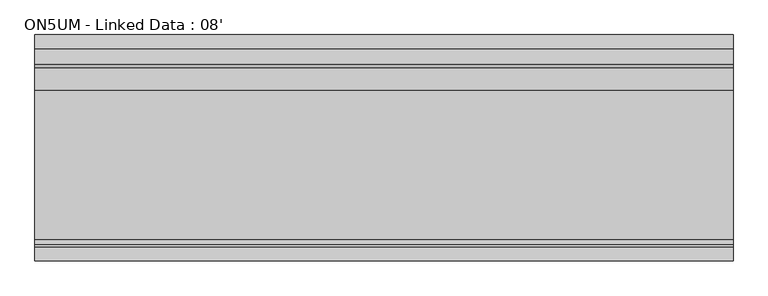
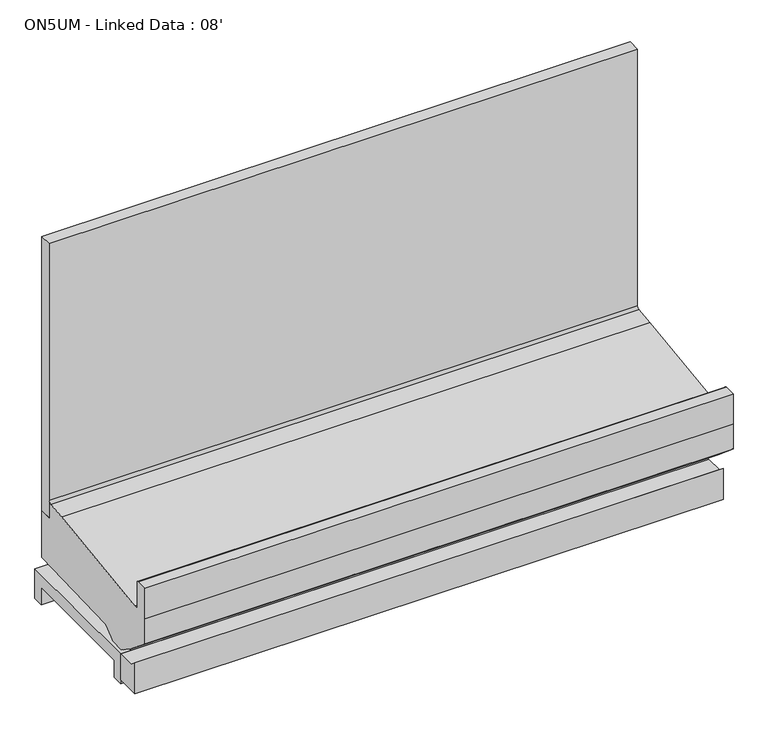
"""IFC4 building model written with IfcOpenShell, lengths in millimetres: proxy geometry, ON5UM - Linked Data : 08'."""

from ifc_helpers import new_model, si_unit, frame, origin, place, context, project, spatial, polyline, circle_curve, outline, extrude, source, transform, mapped, element, save
from ifc_brep_helpers import plane_surface, cylinder_surface, revolved_surface, advanced_brep


def on5um_linked_data_08_05b93cb7(model_context):
    return source(origin(), model_context, "Body", "SolidModel", [
        advanced_brep(
        [(0.0, -1018.0355073, 16.9113003), (0.0, -1120.2374519, 16.9113003), (0.0, -1120.2374519, 153.0862041), (0.0, -1092.9329421, 130.175), (0.0, -1018.0355073, 130.175), (2438.4, -1018.0355073, 16.9113003), (2438.4, -1018.0355073, 130.175), (2438.4, -1092.9329421, 130.175), (2438.4, -1120.2374519, 153.0862041), (2438.4, -1120.2374519, 16.9113003), (2307.2105208, -1018.0355073, 16.9113003), (2307.2105208, -1018.0355073, 121.311784), (2207.6394792, -1018.0355073, 121.311784), (2207.6394792, -1018.0355073, 16.9113003), (1260.8031896, -1018.0355073, 16.9113003), (1260.8031896, -1018.0355073, 121.311784), (1177.5968104, -1018.0355073, 121.311784), (1177.5968104, -1018.0355073, 16.9113003)],
        [
            (0, 1),
            (1, 2),
            (2, 3),
            (3, 4),
            (4, 0),
            (5, 6),
            (6, 7),
            (7, 8),
            (8, 9),
            (9, 5),
            (4, 6),
            (5, 10),
            (10, 11),
            (11, 12),
            (12, 13),
            (13, 14),
            (14, 15),
            (15, 16),
            (16, 17),
            (17, 0),
            (3, 7),
            (17, 14, circle_curve(frame((1219.2, -988.8839273, 16.9113003), z_axis=(0.0, 0.0, 1.0), x_axis=(1.0, 0.0, 0.0)), 50.8)),
            (13, 10, circle_curve(frame((2257.425, -1007.9339273, 16.9113003), z_axis=(0.0, 0.0, 1.0), x_axis=(1.0, 0.0, 0.0)), 50.8)),
            (9, 1),
            (15, 16, circle_curve(frame((1219.2, -988.8839273, 121.311784), z_axis=(0.0, 0.0, -1.0), x_axis=(1.0, 0.0, 0.0)), 50.8)),
            (8, 2),
            (11, 12, circle_curve(frame((2257.425, -1007.9339273, 121.311784), z_axis=(0.0, 0.0, -1.0), x_axis=(1.0, 0.0, 0.0)), 50.8)),
        ],
        [
            plane_surface(frame((0.0, -1018.0355073, 130.175), z_axis=(-1.0, 0.0, 0.0), x_axis=(0.0, 0.0, -1.0))),
            plane_surface(frame((2438.4, -1018.0355073, 130.175), z_axis=(1.0, 0.0, 0.0), x_axis=(0.0, 0.0, 1.0))),
            plane_surface(frame((2438.4, -1018.0355073, 16.9113003), z_axis=(0.0, 1.0, 0.0), x_axis=(-1.0, 0.0, 0.0))),
            plane_surface(frame((2438.4, -1018.0355073, 130.175), z_axis=(0.0, 0.0, 1.0), x_axis=(-1.0, 0.0, 0.0))),
            plane_surface(frame((2438.4, -1120.2374519, 16.9113003), z_axis=(0.0, 0.0, -1.0), x_axis=(-1.0, 0.0, 0.0))),
            plane_surface(frame((1270.0, -988.8839273, 121.311784), z_axis=(0.0, 0.0, -1.0), x_axis=(0.0, 1.0, 0.0))),
            revolved_surface(polyline([(1270.0, -988.8839273, 121.311784), (1270.0, -988.8839273, 16.9113003)]), (1219.2, -988.8839273, 0.0), (0.0, 0.0, 1.0)),
            plane_surface(frame((2438.4, -1120.2374519, 153.0862041), z_axis=(0.0, -1.0, 0.0), x_axis=(-1.0, 0.0, 0.0))),
            plane_surface(frame((2438.4, -1092.9329421, 130.175), z_axis=(0.0, 0.6427876096870794, 0.766044443118525), x_axis=(-1.0, 0.0, 0.0))),
            plane_surface(frame((2308.225, -1007.9339273, 121.311784), z_axis=(0.0, 0.0, -1.0), x_axis=(0.0, 1.0, 0.0))),
            revolved_surface(polyline([(2308.2250000000004, -1007.9339273, 121.311784), (2308.2250000000004, -1007.9339273, 16.9113003)]), (2257.425, -1007.9339273, 0.0), (0.0, 0.0, 1.0)),
        ],
        [
            (0, [[1, 2, 3, 4, 5]]),
            (1, [[6, 7, 8, 9, 10]]),
            (2, [[-5, 11, -6, 12, 13, 14, 15, 16, 17, 18, 19, 20]]),
            (3, [[-4, 21, -7, -11]]),
            (4, [[-1, -20, 22, -16, 23, -12, -10, 24]]),
            (5, [[25, -18]]),
            (6, [[-25, -17, -22, -19]]),
            (7, [[-2, -24, -9, 26]]),
            (8, [[-3, -26, -8, -21]]),
            (9, [[27, -14]]),
            (10, [[-27, -13, -23, -15]]),
        ],
    ),
        advanced_brep(
        [(0.0, -401.5089273, 130.175), (0.0, -401.5089273, 0.0), (0.0, -446.7209273, 0.0), (0.0, -446.7209273, 74.8810382), (0.0, -972.7046625, 74.8810382), (0.0, -972.7046625, 0.0), (0.0, -1018.0355073, 0.0), (0.0, -1018.0355073, 130.175), (2438.4, -401.5089273, 130.175), (2438.4, -1018.0355073, 130.175), (2438.4, -1018.0355073, 0.0), (2438.4, -972.7046625, 0.0), (2438.4, -972.7046625, 74.8810382), (2438.4, -446.7209273, 74.8810382), (2438.4, -446.7209273, 0.0), (2438.4, -401.5089273, 0.0), (1177.5968104, -1018.0355073, 0.0), (1177.5968104, -1018.0355073, 121.311784), (1260.8031896, -1018.0355073, 121.311784), (1260.8031896, -1018.0355073, 0.0), (2207.6394792, -1018.0355073, 0.0), (2207.6394792, -1018.0355073, 121.311784), (2307.2105208, -1018.0355073, 121.311784), (2307.2105208, -1018.0355073, 0.0), (1171.0453388, -972.7046625, 0.0), (1168.4, -988.8839273, 0.0), (2308.225, -1007.9339273, 0.0), (2294.0247118, -972.7046625, 0.0), (1270.0, -988.8839273, 0.0), (1267.3546612, -972.7046625, 0.0), (2220.8252882, -972.7046625, 0.0), (2206.625, -1007.9339273, 0.0), (1171.0453388, -972.7046625, 74.8810382), (2294.0247118, -972.7046625, 74.8810382), (1267.3546612, -972.7046625, 74.8810382), (2220.8252882, -972.7046625, 74.8810382), (1168.4, -988.8839273, 121.311784), (1270.0, -988.8839273, 121.311784), (2206.625, -1007.9339273, 121.311784), (2308.225, -1007.9339273, 121.311784)],
        [
            (0, 1),
            (1, 2),
            (2, 3),
            (3, 4),
            (4, 5),
            (5, 6),
            (6, 7),
            (7, 0),
            (8, 9),
            (9, 10),
            (10, 11),
            (11, 12),
            (12, 13),
            (13, 14),
            (14, 15),
            (15, 8),
            (7, 9),
            (8, 0),
            (6, 16),
            (16, 17),
            (17, 18),
            (18, 19),
            (19, 20),
            (20, 21),
            (21, 22),
            (22, 23),
            (23, 10),
            (5, 24),
            (24, 25, circle_curve(frame((1219.2, -988.8839273, 0.0), z_axis=(0.0, 0.0, 1.0), x_axis=(1.0, 0.0, 0.0)), 50.8)),
            (25, 16, circle_curve(frame((1219.2, -988.8839273, 0.0), z_axis=(0.0, 0.0, 1.0), x_axis=(1.0, 0.0, 0.0)), 50.8)),
            (23, 26, circle_curve(frame((2257.425, -1007.9339273, 0.0), z_axis=(0.0, 0.0, 1.0), x_axis=(1.0, 0.0, 0.0)), 50.8)),
            (26, 27, circle_curve(frame((2257.425, -1007.9339273, 0.0), z_axis=(0.0, 0.0, 1.0), x_axis=(1.0, 0.0, 0.0)), 50.8)),
            (27, 11),
            (19, 28, circle_curve(frame((1219.2, -988.8839273, 0.0), z_axis=(0.0, 0.0, 1.0), x_axis=(1.0, 0.0, 0.0)), 50.8)),
            (28, 29, circle_curve(frame((1219.2, -988.8839273, 0.0), z_axis=(0.0, 0.0, 1.0), x_axis=(1.0, 0.0, 0.0)), 50.8)),
            (29, 30),
            (30, 31, circle_curve(frame((2257.425, -1007.9339273, 0.0), z_axis=(0.0, 0.0, 1.0), x_axis=(1.0, 0.0, 0.0)), 50.8)),
            (31, 20, circle_curve(frame((2257.425, -1007.9339273, 0.0), z_axis=(0.0, 0.0, 1.0), x_axis=(1.0, 0.0, 0.0)), 50.8)),
            (4, 32),
            (32, 24),
            (27, 33),
            (33, 12),
            (29, 34),
            (34, 35),
            (35, 30),
            (3, 13),
            (33, 35, circle_curve(frame((2257.425, -1007.9339273, 74.8810382), z_axis=(0.0, 0.0, 1.0), x_axis=(1.0, 0.0, 0.0)), 50.8)),
            (34, 32, circle_curve(frame((1219.2, -988.8839273, 74.8810382), z_axis=(0.0, 0.0, 1.0), x_axis=(1.0, 0.0, 0.0)), 50.8)),
            (2, 14),
            (1, 15),
            (36, 37, circle_curve(frame((1219.2, -988.8839273, 121.311784), z_axis=(0.0, 0.0, -1.0), x_axis=(1.0, 0.0, 0.0)), 50.8)),
            (37, 18, circle_curve(frame((1219.2, -988.8839273, 121.311784), z_axis=(0.0, 0.0, -1.0), x_axis=(1.0, 0.0, 0.0)), 50.8)),
            (17, 36, circle_curve(frame((1219.2, -988.8839273, 121.311784), z_axis=(0.0, 0.0, -1.0), x_axis=(1.0, 0.0, 0.0)), 50.8)),
            (37, 28),
            (25, 36),
            (38, 39, circle_curve(frame((2257.425, -1007.9339273, 121.311784), z_axis=(0.0, 0.0, -1.0), x_axis=(1.0, 0.0, 0.0)), 50.8)),
            (39, 22, circle_curve(frame((2257.425, -1007.9339273, 121.311784), z_axis=(0.0, 0.0, -1.0), x_axis=(1.0, 0.0, 0.0)), 50.8)),
            (21, 38, circle_curve(frame((2257.425, -1007.9339273, 121.311784), z_axis=(0.0, 0.0, -1.0), x_axis=(1.0, 0.0, 0.0)), 50.8)),
            (39, 26),
            (31, 38),
        ],
        [
            plane_surface(frame((0.0, -1205.8783654, 130.175), z_axis=(-1.0, 0.0, 0.0), x_axis=(0.0, 1.0, 0.0))),
            plane_surface(frame((2438.4, -1205.8783654, 130.175), z_axis=(1.0, 0.0, 0.0), x_axis=(0.0, -1.0, 0.0))),
            plane_surface(frame((2438.4, -401.5089273, 130.175), z_axis=(0.0, 0.0, 1.0), x_axis=(-1.0, 0.0, 0.0))),
            plane_surface(frame((2438.4, -1018.0355073, 130.175), z_axis=(0.0, -1.0, 0.0), x_axis=(-1.0, 0.0, 0.0))),
            plane_surface(frame((2438.4, -1018.0355073, 0.0), z_axis=(0.0, 0.0, -1.0), x_axis=(-1.0, 0.0, 0.0))),
            plane_surface(frame((2438.4, -972.7046625, 0.0), z_axis=(0.0, 1.0, 0.0), x_axis=(-1.0, 0.0, 0.0))),
            plane_surface(frame((2438.4, -972.7046625, 74.8810382), z_axis=(0.0, 0.0, -1.0), x_axis=(-1.0, 0.0, 0.0))),
            plane_surface(frame((2438.4, -446.7209273, 74.8810382), z_axis=(0.0, -1.0, 0.0), x_axis=(-1.0, 0.0, 0.0))),
            plane_surface(frame((2438.4, -446.7209273, 0.0), z_axis=(0.0, 0.0, -1.0), x_axis=(-1.0, 0.0, 0.0))),
            plane_surface(frame((2438.4, -401.5089273, 0.0), z_axis=(0.0, 1.0, 0.0), x_axis=(-1.0, 0.0, 0.0))),
            plane_surface(frame((1270.0, -988.8839273, 121.311784), z_axis=(0.0, 0.0, -1.0), x_axis=(0.0, 1.0, 0.0))),
            revolved_surface(polyline([(1270.0, -988.8839273, 121.311784), (1270.0, -988.8839273, 0.0)]), (1219.2, -988.8839273, 0.0), (0.0, 0.0, 1.0)),
            plane_surface(frame((2308.225, -1007.9339273, 121.311784), z_axis=(0.0, 0.0, -1.0), x_axis=(0.0, 1.0, 0.0))),
            revolved_surface(polyline([(2308.2250000000004, -1007.9339273, 121.311784), (2308.2250000000004, -1007.9339273, 0.0)]), (2257.425, -1007.9339273, 0.0), (0.0, 0.0, 1.0)),
        ],
        [
            (0, [[1, 2, 3, 4, 5, 6, 7, 8]]),
            (1, [[9, 10, 11, 12, 13, 14, 15, 16]]),
            (2, [[-8, 17, -9, 18]]),
            (3, [[-7, 19, 20, 21, 22, 23, 24, 25, 26, 27, -10, -17]]),
            (4, [[-6, 28, 29, 30, -19]]),
            (4, [[-11, -27, 31, 32, 33]]),
            (4, [[34, 35, 36, 37, 38, -23]]),
            (5, [[-5, 39, 40, -28]]),
            (5, [[-12, -33, 41, 42]]),
            (5, [[43, 44, 45, -36]]),
            (6, [[-4, 46, -13, -42, 47, -44, 48, -39]]),
            (7, [[-3, 49, -14, -46]]),
            (8, [[-2, 50, -15, -49]]),
            (9, [[-1, -18, -16, -50]]),
            (10, [[51, 52, -21, 53]]),
            (11, [[54, -34, -22, -52]]),
            (11, [[55, -53, -20, -30]]),
            (11, [[-51, -55, -29, -40, -48, -43, -35, -54]]),
            (12, [[56, 57, -25, 58]]),
            (13, [[59, -31, -26, -57]]),
            (13, [[60, -58, -24, -38]]),
            (13, [[-56, -60, -37, -45, -47, -41, -32, -59]]),
        ],
    ),
        extrude(outline(polyline([(688.975, -552.9627532), (688.975, -932.4775263), (180.975, -932.4775263), (180.975, -552.9627532), (688.975, -552.9627532)])), frame((0.0, 0.0, 68.5310382), z_axis=(0.0, 0.0, 1.0), x_axis=(1.0, 0.0, 0.0)), (0.0, 0.0, 1.0), 6.35),
        extrude(outline(polyline([(2438.4, -452.3089273), (2438.4, -503.4770145), (0.0, -503.4770145), (0.0, -452.3089273), (2438.4, -452.3089273)])), frame((0.0, 0.0, 415.8429537), z_axis=(0.0, 0.0, 1.0), x_axis=(1.0, 0.0, 0.0)), (0.0, 0.0, 1.0), 1202.0524215),
        advanced_brep(
        [(0.0, -503.4770145, 415.8429537), (0.0, -452.3089273, 415.8429537), (0.0, -452.3089273, 210.4307819), (0.0, -911.2586215, 194.4039054), (0.0, -947.966692, 163.7297871), (0.0, -949.2046713, 163.6865559), (0.0, -961.9148015, 153.7615258), (0.0, -1022.2030531, 151.6562137), (0.0, -1035.5745571, 160.670453), (0.0, -1036.8125365, 160.6272219), (0.0, -1075.5167374, 188.6268069), (0.0, -1081.6882807, 188.4112919), (0.0, -1191.6695874, 280.6965658), (0.0, -1191.6695874, 390.4771975), (0.0, -1191.6695874, 522.6122796), (0.0, -1143.2268145, 522.6122796), (0.0, -1135.3020145, 514.6874796), (0.0, -1135.3020145, 401.5554537), (0.0, -1117.2993145, 401.5554537), (0.0, -594.8547877, 474.2138198), (0.0, -515.2911073, 481.9373825), (0.0, -503.4770145, 494.6064459), (2438.4, -503.4770145, 415.8429537), (2438.4, -503.4770145, 494.6064459), (2438.4, -515.2911073, 481.9373825), (2438.4, -594.8547877, 474.2138198), (2438.4, -1117.2993145, 401.5554537), (2438.4, -1135.3020145, 401.5554537), (2438.4, -1135.3020145, 514.6874796), (2438.4, -1143.2268145, 522.6122796), (2438.4, -1191.6695874, 522.6122796), (2438.4, -1191.6695874, 390.4771975), (2438.4, -1191.6695874, 280.6965658), (2438.4, -1081.6882807, 188.4112919), (2438.4, -1075.5167374, 188.6268069), (2438.4, -1036.8125365, 160.6272219), (2438.4, -1035.5745571, 160.670453), (2438.4, -1022.2030531, 151.6562137), (2438.4, -961.9148015, 153.7615258), (2438.4, -949.2046713, 163.6865559), (2438.4, -947.966692, 163.7297871), (2438.4, -911.2586215, 194.4039054), (2438.4, -452.3089273, 210.4307819), (2438.4, -452.3089273, 415.8429537)],
        [
            (0, 1),
            (1, 2),
            (2, 3),
            (3, 4),
            (4, 5),
            (5, 6),
            (6, 7),
            (7, 8),
            (8, 9),
            (9, 10),
            (10, 11),
            (11, 12),
            (12, 13),
            (13, 14),
            (14, 15),
            (15, 16, circle_curve(frame((0.0, -1143.2268145, 514.6874796), z_axis=(-1.0, 0.0, 0.0), x_axis=(0.0, 1.0, 0.0)), 7.9248)),
            (16, 17),
            (17, 18),
            (18, 19),
            (19, 20),
            (20, 21, circle_curve(frame((0.0, -516.1770145, 494.6064459), z_axis=(1.0, 0.0, 0.0), x_axis=(0.0, 1.0, 0.0)), 12.7)),
            (21, 0),
            (22, 23),
            (23, 24, circle_curve(frame((2438.4, -516.1770145, 494.6064459), z_axis=(-1.0, 0.0, 0.0), x_axis=(0.0, 1.0, 0.0)), 12.7)),
            (24, 25),
            (25, 26),
            (26, 27),
            (27, 28),
            (28, 29, circle_curve(frame((2438.4, -1143.2268145, 514.6874796), z_axis=(1.0, 0.0, 0.0), x_axis=(0.0, 1.0, 0.0)), 7.9248)),
            (29, 30),
            (30, 31),
            (31, 32),
            (32, 33),
            (33, 34),
            (34, 35),
            (35, 36),
            (36, 37),
            (37, 38),
            (38, 39),
            (39, 40),
            (40, 41),
            (41, 42),
            (42, 43),
            (43, 22),
            (42, 2),
            (1, 43),
            (0, 22),
            (21, 23),
            (20, 24),
            (19, 25),
            (18, 26),
            (17, 27),
            (16, 28),
            (15, 29),
            (14, 30),
            (13, 31),
            (12, 32),
            (11, 33),
            (10, 34),
            (9, 35),
            (8, 36),
            (7, 37),
            (6, 38),
            (5, 39),
            (4, 40),
            (3, 41),
        ],
        [
            plane_surface(frame((0.0, -503.4770145, 1116.8081953), z_axis=(-1.0, 0.0, 0.0), x_axis=(0.0, 0.0, -1.0))),
            plane_surface(frame((2438.4, -503.4770145, 1116.8081953), z_axis=(1.0, 0.0, 0.0), x_axis=(0.0, 0.0, 1.0))),
            plane_surface(frame((2438.4, -452.3089273, 210.4307819), z_axis=(0.0, 1.0, 0.0), x_axis=(-1.0, 0.0, 0.0))),
            plane_surface(frame((2438.4, -452.3089273, 415.8429537), z_axis=(0.0, 0.0, 1.0), x_axis=(-1.0, 0.0, 0.0))),
            plane_surface(frame((2438.4, -503.4770145, 415.8429537), z_axis=(0.0, 1.0, 0.0), x_axis=(-1.0, 0.0, 0.0))),
            revolved_surface(polyline([(0.0, -503.47701450000005, 494.6064459), (2438.4, -503.47701450000005, 494.6064459)]), (0.0, -516.1770145, 494.6064459), (-1.0, 0.0, 0.0)),
            plane_surface(frame((2438.4, -515.2911073, 481.9373825), z_axis=(0.0, -0.09661980044750265, 0.9953213622551688), x_axis=(-1.0, 0.0, 0.0))),
            plane_surface(frame((2438.4, -594.8547877, 474.2138198), z_axis=(0.0, -0.1377480894156595, 0.9904672957055853), x_axis=(-1.0, 0.0, 0.0))),
            plane_surface(frame((2438.4, -1117.2993145, 401.5554537), z_axis=(0.0, 0.0, 1.0), x_axis=(-1.0, 0.0, 0.0))),
            plane_surface(frame((2438.4, -1135.3020145, 401.5554537), z_axis=(0.0, 1.0, 0.0), x_axis=(-1.0, 0.0, 0.0))),
            cylinder_surface(frame((0.0, -1143.2268145, 514.6874796), z_axis=(1.0, 0.0, 0.0), x_axis=(0.0, 1.0, 0.0)), 7.9248),
            plane_surface(frame((2438.4, -1143.2268145, 522.6122796), z_axis=(0.0, 0.0, 1.0), x_axis=(-1.0, 0.0, 0.0))),
            plane_surface(frame((2438.4, -1191.6695874, 522.6122796), z_axis=(0.0, -1.0, 0.0), x_axis=(-1.0, 0.0, 0.0))),
            plane_surface(frame((2438.4, -1191.6695874, 390.4771975), z_axis=(0.0, -1.0, 0.0), x_axis=(-1.0, 0.0, 0.0))),
            plane_surface(frame((2438.4, -1191.6695874, 280.6965658), z_axis=(0.0, -0.6427876096870885, -0.7660444431185174), x_axis=(-1.0, 0.0, 0.0))),
            plane_surface(frame((2438.4, -1081.6882807, 188.4112919), z_axis=(0.0, 0.03489949670352723, -0.9993908270190599), x_axis=(-1.0, 0.0, 0.0))),
            plane_surface(frame((2438.4, -1075.5167374, 188.6268069), z_axis=(0.0, -0.5861307997256017, -0.810216443682197), x_axis=(-1.0, 0.0, 0.0))),
            plane_surface(frame((2438.4, -1036.8125365, 160.6272219), z_axis=(0.0, 0.03489949670146529, -0.999390827019132), x_axis=(-1.0, 0.0, 0.0))),
            plane_surface(frame((2438.4, -1035.5745571, 160.670453), z_axis=(0.0, -0.5589817440968015, -0.8291799622316606), x_axis=(-1.0, 0.0, 0.0))),
            plane_surface(frame((2438.4, -1022.2030531, 151.6562137), z_axis=(0.0, 0.03489949670245123, -0.9993908270190974), x_axis=(-1.0, 0.0, 0.0))),
            plane_surface(frame((2438.4, -961.9148015, 153.7615258), z_axis=(0.0, 0.6154607629252682, -0.7881675261639793), x_axis=(-1.0, 0.0, 0.0))),
            plane_surface(frame((2438.4, -949.2046713, 163.6865559), z_axis=(0.0, 0.03489949670032392, -0.9993908270191718), x_axis=(-1.0, 0.0, 0.0))),
            plane_surface(frame((2438.4, -947.966692, 163.7297871), z_axis=(0.0, 0.6412208566386186, -0.7673563794037528), x_axis=(-1.0, 0.0, 0.0))),
            plane_surface(frame((2438.4, -911.2586215, 194.4039054), z_axis=(0.0, 0.03489949670246395, -0.9993908270190971), x_axis=(-1.0, 0.0, 0.0))),
        ],
        [
            (0, [[1, 2, 3, 4, 5, 6, 7, 8, 9, 10, 11, 12, 13, 14, 15, 16, 17, 18, 19, 20, 21, 22]]),
            (1, [[23, 24, 25, 26, 27, 28, 29, 30, 31, 32, 33, 34, 35, 36, 37, 38, 39, 40, 41, 42, 43, 44]]),
            (2, [[-43, 45, -2, 46]]),
            (3, [[-44, -46, -1, 47]]),
            (4, [[-23, -47, -22, 48]]),
            (5, [[-24, -48, -21, 49]]),
            (6, [[-25, -49, -20, 50]]),
            (7, [[-26, -50, -19, 51]]),
            (8, [[-27, -51, -18, 52]]),
            (9, [[-28, -52, -17, 53]]),
            (10, [[-29, -53, -16, 54]]),
            (11, [[-30, -54, -15, 55]]),
            (12, [[-31, -55, -14, 56]]),
            (13, [[-32, -56, -13, 57]]),
            (14, [[-33, -57, -12, 58]]),
            (15, [[-34, -58, -11, 59]]),
            (16, [[-35, -59, -10, 60]]),
            (17, [[-36, -60, -9, 61]]),
            (18, [[-37, -61, -8, 62]]),
            (19, [[-38, -62, -7, 63]]),
            (20, [[-39, -63, -6, 64]]),
            (21, [[-40, -64, -5, 65]]),
            (22, [[-41, -65, -4, 66]]),
            (23, [[-42, -66, -3, -45]]),
        ],
    ),
    ])


if __name__ == "__main__":
    model = new_model("IFC4")
    model_context = context("Model", 3, world=origin())
    ifc_project = project(units=[si_unit("LENGTHUNIT", "METRE", prefix="MILLI")], contexts=[model_context])
    site = spatial("IfcSite", under=ifc_project)
    building = spatial("IfcBuilding", under=site)
    placement = place(None, origin())
    on5um_linked_data_08_shape = on5um_linked_data_08_05b93cb7(model_context)
    element("IfcBuildingElementProxy", 1, Name="ON5UM - Linked Data : 08'", ObjectType="ON5UM - Linked Data : 08'", at=placement, inside=building, context=model_context, shape_type="MappedRepresentation", body=[
        mapped(on5um_linked_data_08_shape, transform((0.0, 0.0, 0.0), x_axis=(1.0, 0.0, 0.0), y_axis=(0.0, 1.0, 0.0), z_axis=(0.0, 0.0, 1.0))),
    ])
    save(model, "model.ifc")
